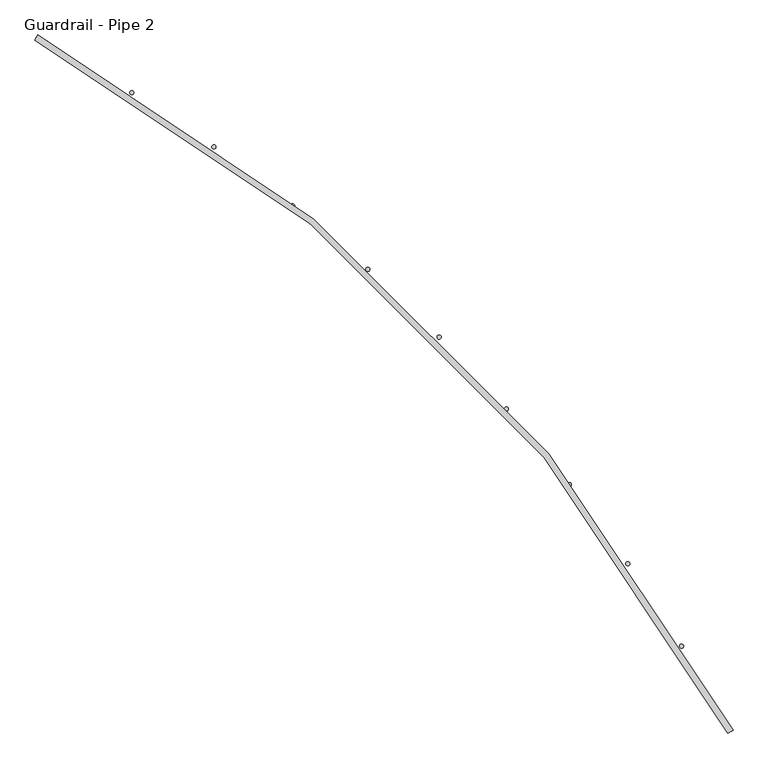
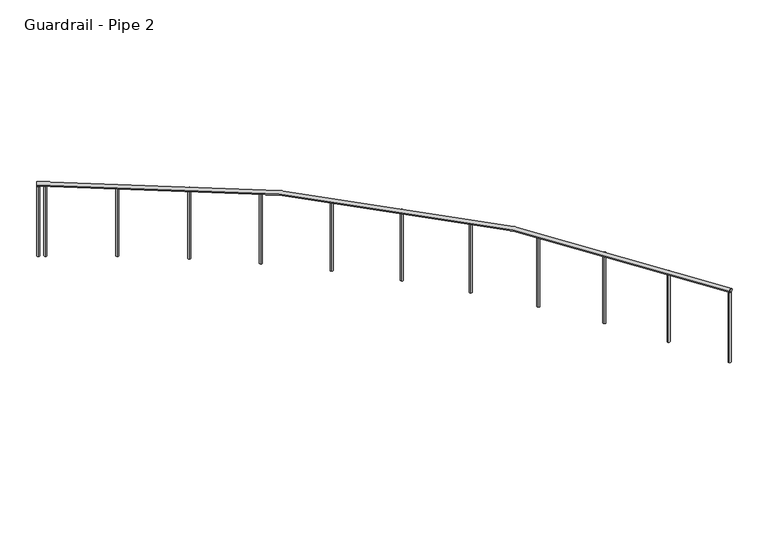
"""IFC4 building model written with IfcOpenShell, lengths in millimetres: railing geometry, Guardrail - Pipe 2."""

from ifc_helpers import new_model, si_unit, point, frame, frame_2d, origin, place, context, project, spatial, circle_curve, ellipse_curve, trimmed, segment, composite_curve, outline, extrude, source, transform, mapped, element, save
from ifc_brep_helpers import plane_surface, revolved_surface, advanced_brep


def guardrail_pipe_2_6a8a53bd(model_context):
    return source(origin(), model_context, "Body", "SolidModel", [
        advanced_brep(
        [(264216.2761163, -479341.7639047, 5772.15), (268522.6967046, -483648.1844929, 5772.15), (268489.0790575, -483666.1139047, 5772.15), (264198.3467046, -479375.3815518, 5772.15)],
        [
            (0, 1, circle_curve(frame((259294.6525869, -488569.8080223, 5772.15), z_axis=(0.0, 0.0, -1.0), x_axis=(0.8823529411766796, 0.4705882352937256, 0.0)), 10458.45)),
            (1, 2, circle_curve(frame((268505.8878811, -483657.1491988, 5772.15), z_axis=(-0.47058823529373145, 0.8823529411766765, 0.0), x_axis=(-0.8823529411766765, -0.47058823529373145, 0.0)), 19.05)),
            (2, 3, circle_curve(frame((259294.6525869, -488569.8080223, 5772.15), z_axis=(0.0, 0.0, 1.0), x_axis=(0.8823529411766796, 0.4705882352937256, 0.0)), 10420.35)),
            (3, 0, circle_curve(frame((264207.3114105, -479358.5727282, 5772.15), z_axis=(0.88235294117669, -0.47058823529370614, 0.0), x_axis=(-0.47058823529370614, -0.88235294117669, 0.0)), 19.05)),
            (2, 1, circle_curve(frame((268505.8878811, -483657.1491988, 5772.15), z_axis=(-0.4705882352937315, 0.8823529411766765, 0.0), x_axis=(-0.8823529411766765, -0.4705882352937315, 0.0)), 19.05)),
            (0, 3, circle_curve(frame((264207.3114105, -479358.5727282, 5772.15), z_axis=(0.8823529411766905, -0.47058823529370514, 0.0), x_axis=(-0.47058823529370514, -0.8823529411766905, 0.0)), 19.05)),
        ],
        [
            revolved_surface(trimmed(ellipse_curve(frame((268505.8878811, -483657.1491988, 5772.15), z_axis=(0.4705882352937256, -0.8823529411766796, 0.0), x_axis=(-0.8823529411766796, -0.4705882352937256, 0.0)), 19.05, 19.05), [point((268489.0790575, -483666.1139047, 5772.15))], [point((268522.6967046, -483648.1844929, 5772.15))], True, "CARTESIAN"), (259294.6525869, -488569.8080223, 5791.2), (0.0, 0.0, 1.0)),
            revolved_surface(trimmed(ellipse_curve(frame((268505.8878811, -483657.1491988, 5772.15), z_axis=(0.4705882352937256, -0.8823529411766796, 0.0), x_axis=(-0.8823529411766796, -0.4705882352937256, 0.0)), 19.05, 19.05), [point((268522.6967046, -483648.1844929, 5772.15))], [point((268489.0790575, -483666.1139047, 5772.15))], True, "CARTESIAN"), (259294.6525869, -488569.8080223, 5791.2), (0.0, 0.0, 1.0)),
            plane_surface(frame((268505.8878811, -483657.1491988, 5791.2), z_axis=(0.4705882352937257, -0.8823529411766797, 0.0), x_axis=(0.8823529411766797, 0.4705882352937257, 0.0))),
            plane_surface(frame((264207.3114105, -479358.5727282, 5791.2), z_axis=(-0.8823529411766875, 0.47058823529371097, 0.0), x_axis=(0.47058823529371097, 0.8823529411766875, 0.0))),
        ],
        [
            (0, [[1, 2, 3, 4]]),
            (1, [[-3, 5, -1, 6]]),
            (2, [[-5, -2]]),
            (3, [[-4, -6]]),
        ],
    ),
        extrude(outline(composite_curve([segment(trimmed(circle_curve(frame_2d((264271.1191932, -479392.8884696)), 12.7), [point((264277.1732888, -479381.7243339))], [point((264265.0650976, -479404.0526054))], False, "CARTESIAN"), True, "CONTINUOUS"), segment(trimmed(circle_curve(frame_2d((264271.1191932, -479392.8884696)), 12.7), [point((264265.0650976, -479404.0526054))], [point((264277.1732888, -479381.7243339))], False, "CARTESIAN"), True, "CONTINUOUS")], self_intersect=False)), frame((0.0, 0.0, 5029.2), z_axis=(0.0, 0.0, 1.0), x_axis=(1.0, 0.0, 0.0)), (0.0, 0.0, 1.0), 723.9),
        extrude(outline(composite_curve([segment(trimmed(circle_curve(frame_2d((264798.2110511, -479698.9615807)), 12.7), [point((264804.9063777, -479688.1697967))], [point((264791.5157245, -479709.7533647))], False, "CARTESIAN"), True, "CONTINUOUS"), segment(trimmed(circle_curve(frame_2d((264798.2110511, -479698.9615807)), 12.7), [point((264791.5157245, -479709.7533647))], [point((264804.9063777, -479688.1697967))], False, "CARTESIAN"), True, "CONTINUOUS")], self_intersect=False)), frame((0.0, 0.0, 5029.2), z_axis=(0.0, 0.0, 1.0), x_axis=(1.0, 0.0, 0.0)), (0.0, 0.0, 1.0), 723.9),
        extrude(outline(composite_curve([segment(trimmed(circle_curve(frame_2d((265306.5417782, -480035.2746015)), 12.7), [point((265313.855512, -480024.8919574))], [point((265299.2280444, -480045.6572455))], False, "CARTESIAN"), True, "CONTINUOUS"), segment(trimmed(circle_curve(frame_2d((265306.5417782, -480035.2746015)), 12.7), [point((265299.2280444, -480045.6572455))], [point((265313.855512, -480024.8919574))], False, "CARTESIAN"), True, "CONTINUOUS")], self_intersect=False)), frame((0.0, 0.0, 5029.2), z_axis=(0.0, 0.0, 1.0), x_axis=(1.0, 0.0, 0.0)), (0.0, 0.0, 1.0), 723.9),
        extrude(outline(composite_curve([segment(trimmed(circle_curve(frame_2d((265794.3785211, -480400.6810714)), 12.7), [point((265802.2857302, -480390.7429607))], [point((265786.4713119, -480410.619182))], False, "CARTESIAN"), True, "CONTINUOUS"), segment(trimmed(circle_curve(frame_2d((265794.3785211, -480400.6810714)), 12.7), [point((265786.4713119, -480410.619182))], [point((265802.2857302, -480390.7429607))], False, "CARTESIAN"), True, "CONTINUOUS")], self_intersect=False)), frame((0.0, 0.0, 5029.2), z_axis=(0.0, 0.0, 1.0), x_axis=(1.0, 0.0, 0.0)), (0.0, 0.0, 1.0), 723.9),
        extrude(outline(composite_curve([segment(trimmed(circle_curve(frame_2d((266260.0582887, -480793.935353)), 12.7), [point((266268.5320183, -480784.4756539))], [point((266251.5845591, -480803.3950521))], False, "CARTESIAN"), True, "CONTINUOUS"), segment(trimmed(circle_curve(frame_2d((266260.0582887, -480793.935353)), 12.7), [point((266251.5845591, -480803.3950521))], [point((266268.5320183, -480784.4756539))], False, "CARTESIAN"), True, "CONTINUOUS")], self_intersect=False)), frame((0.0, 0.0, 5029.2), z_axis=(0.0, 0.0, 1.0), x_axis=(1.0, 0.0, 0.0)), (0.0, 0.0, 1.0), 723.9),
        extrude(outline(composite_curve([segment(trimmed(circle_curve(frame_2d((266701.993621, -481213.6968782)), 12.7), [point((266711.0049848, -481204.7478379))], [point((266692.9822572, -481222.6459185))], False, "CARTESIAN"), True, "CONTINUOUS"), segment(trimmed(circle_curve(frame_2d((266701.993621, -481213.6968782)), 12.7), [point((266692.9822572, -481222.6459185))], [point((266711.0049848, -481204.7478379))], False, "CARTESIAN"), True, "CONTINUOUS")], self_intersect=False)), frame((0.0, 0.0, 5029.2), z_axis=(0.0, 0.0, 1.0), x_axis=(1.0, 0.0, 0.0)), (0.0, 0.0, 1.0), 723.9),
        extrude(outline(composite_curve([segment(trimmed(circle_curve(frame_2d((267118.6780006, -481658.5347181)), 12.7), [point((267128.1962797, -481650.126843))], [point((267109.1597215, -481666.9425932))], False, "CARTESIAN"), True, "CONTINUOUS"), segment(trimmed(circle_curve(frame_2d((267118.6780006, -481658.5347181)), 12.7), [point((267109.1597215, -481666.9425932))], [point((267128.1962797, -481650.126843))], False, "CARTESIAN"), True, "CONTINUOUS")], self_intersect=False)), frame((0.0, 0.0, 5029.2), z_axis=(0.0, 0.0, 1.0), x_axis=(1.0, 0.0, 0.0)), (0.0, 0.0, 1.0), 723.9),
        extrude(outline(composite_curve([segment(trimmed(circle_curve(frame_2d((267508.6909883, -482126.9324609)), 12.7), [point((267518.6837357, -482119.0944127))], [point((267498.6982409, -482134.770509))], False, "CARTESIAN"), True, "CONTINUOUS"), segment(trimmed(circle_curve(frame_2d((267508.6909883, -482126.9324609)), 12.7), [point((267498.6982409, -482134.770509))], [point((267518.6837357, -482119.0944127))], False, "CARTESIAN"), True, "CONTINUOUS")], self_intersect=False)), frame((0.0, 0.0, 5029.2), z_axis=(0.0, 0.0, 1.0), x_axis=(1.0, 0.0, 0.0)), (0.0, 0.0, 1.0), 723.9),
        extrude(outline(composite_curve([segment(trimmed(circle_curve(frame_2d((267870.7030652, -482617.2933811)), 12.7), [point((267881.1362167, -482610.0518791))], [point((267860.2699138, -482624.5348831))], False, "CARTESIAN"), True, "CONTINUOUS"), segment(trimmed(circle_curve(frame_2d((267870.7030652, -482617.2933811)), 12.7), [point((267860.2699138, -482624.5348831))], [point((267881.1362167, -482610.0518791))], False, "CARTESIAN"), True, "CONTINUOUS")], self_intersect=False)), frame((0.0, 0.0, 5029.2), z_axis=(0.0, 0.0, 1.0), x_axis=(1.0, 0.0, 0.0)), (0.0, 0.0, 1.0), 723.9),
        extrude(outline(composite_curve([segment(trimmed(circle_curve(frame_2d((268203.4801651, -483127.9458831)), 12.7), [point((268214.3181549, -483121.3256129))], [point((268192.6421754, -483134.5661534))], False, "CARTESIAN"), True, "CONTINUOUS"), segment(trimmed(circle_curve(frame_2d((268203.4801651, -483127.9458831)), 12.7), [point((268192.6421754, -483134.5661534))], [point((268214.3181549, -483121.3256129))], False, "CARTESIAN"), True, "CONTINUOUS")], self_intersect=False)), frame((0.0, 0.0, 5029.2), z_axis=(0.0, 0.0, 1.0), x_axis=(1.0, 0.0, 0.0)), (0.0, 0.0, 1.0), 723.9),
        extrude(outline(composite_curve([segment(trimmed(circle_curve(frame_2d((264218.5136547, -479364.5560136)), 12.7), [point((264224.5037533, -479353.3574101))], [point((264212.5235561, -479375.754617))], False, "CARTESIAN"), True, "CONTINUOUS"), segment(trimmed(circle_curve(frame_2d((264218.5136547, -479364.5560136)), 12.7), [point((264212.5235561, -479375.754617))], [point((264224.5037533, -479353.3574101))], False, "CARTESIAN"), True, "CONTINUOUS")], self_intersect=False)), frame((0.0, 0.0, 5029.2), z_axis=(0.0, 0.0, 1.0), x_axis=(1.0, 0.0, 0.0)), (0.0, 0.0, 1.0), 723.9),
        extrude(outline(composite_curve([segment(trimmed(circle_curve(frame_2d((268499.9045957, -483645.9469546)), 12.7), [point((268511.1031991, -483639.9568559))], [point((268488.7059923, -483651.9370532))], False, "CARTESIAN"), True, "CONTINUOUS"), segment(trimmed(circle_curve(frame_2d((268499.9045957, -483645.9469546)), 12.7), [point((268488.7059923, -483651.9370532))], [point((268511.1031991, -483639.9568559))], False, "CARTESIAN"), True, "CONTINUOUS")], self_intersect=False)), frame((0.0, 0.0, 5029.2), z_axis=(0.0, 0.0, 1.0), x_axis=(1.0, 0.0, 0.0)), (0.0, 0.0, 1.0), 723.9),
    ])


if __name__ == "__main__":
    model = new_model("IFC4")
    model_context = context("Model", 3, world=origin())
    ifc_project = project(units=[si_unit("LENGTHUNIT", "METRE", prefix="MILLI")], contexts=[model_context])
    site = spatial("IfcSite", under=ifc_project)
    building = spatial("IfcBuilding", under=site)
    placement = place(None, origin())
    guardrail_pipe_2_shape = guardrail_pipe_2_6a8a53bd(model_context)
    element("IfcRailing", 1, ObjectType="Guardrail - Pipe 2", at=placement, inside=building, context=model_context, shape_type="MappedRepresentation", body=[
        mapped(guardrail_pipe_2_shape, transform((0.0, 0.0, 0.0), x_axis=(1.0, 0.0, 0.0), y_axis=(0.0, 1.0, 0.0), z_axis=(0.0, 0.0, 1.0))),
    ])
    save(model, "model.ifc")
